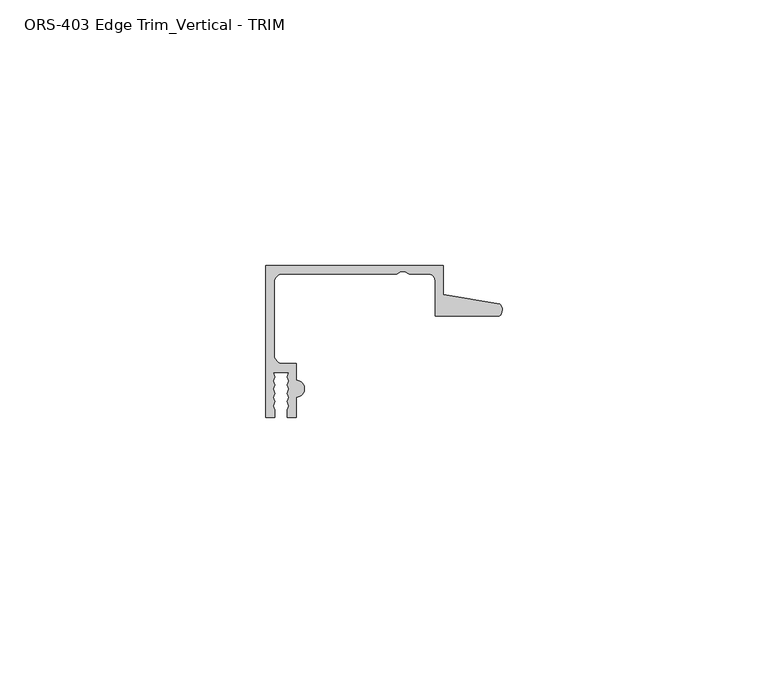
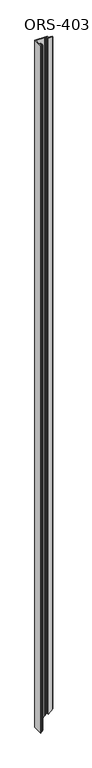
"""IFC4 building model written with IfcOpenShell, lengths in millimetres: proxy geometry, ORS-403 Edge Trim_Vertical - TRIM."""

from ifc_helpers import new_model, si_unit, frame, origin, place, context, project, spatial, polyline, circle_curve, ellipse_curve, source, transform, mapped, element, save
from ifc_brep_helpers import plane_surface, cylinder_surface, revolved_surface, advanced_brep


def ors_403_edge_trim_vertical_trim_4634a1a9(model_context):
    return source(origin(), model_context, "Body", "AdvancedBrep", [
        advanced_brep(
        [(0.0, 19.6849659, 2004.3179687), (0.0, -8.8900341, 2004.3179687), (1.6395301, -8.8900341, 2004.3179687), (1.6395301, -7.4768015, 2004.3179687), (1.3857004, -6.695594, 2004.3179687), (1.6395301, -5.9143865, 2004.3179687), (1.3857004, -5.133179, 2004.3179687), (1.6395301, -4.3519716, 2004.3179687), (1.3857004, -3.5707641, 2004.3179687), (1.6395301, -2.7895566, 2004.3179687), (1.3857004, -2.0083491, 2004.3179687), (1.6395301, -1.2271416, 2004.3179687), (1.3857004, -0.4459342, 2004.3179687), (4.3039002, -0.4459342, 2004.3179687), (4.0500705, -1.2271416, 2004.3179687), (4.3039002, -2.0083491, 2004.3179687), (4.0500705, -2.7895566, 2004.3179687), (4.3039002, -3.5707641, 2004.3179687), (4.0500705, -4.3519716, 2004.3179687), (4.3039002, -5.133179, 2004.3179687), (4.0500705, -5.9143865, 2004.3179687), (4.3039002, -6.695594, 2004.3179687), (4.0500705, -7.4768015, 2004.3179687), (4.0500705, -8.8900341, 2004.3179687), (5.6896, -8.8900341, 2004.3179687), (5.6896, -5.0673341, 2004.3179687), (5.6896, -1.9177341, 2004.3179687), (5.6896, 1.2699659, 2004.3179687), (3.1623, 1.2699659, 2004.3179687), (1.5748, 2.8574659, 2004.3179687), (1.5748, 16.5226659, 2004.3179687), (3.1623, 18.1101659, 2004.3179687), (24.5876618, 18.1101659, 2004.3179687), (25.3762055, 18.5286393, 2004.3179687), (26.1600648, 18.5286393, 2004.3179687), (26.9486086, 18.1101659, 2004.3179687), (30.5703698, 18.1101659, 2004.3179687), (31.8403698, 16.8401659, 2004.3179687), (31.8403698, 10.1599659, 2004.3179687), (43.9251729, 10.1599659, 2004.3179687), (43.9912567, 12.4813352, 2004.3179687), (33.4151698, 14.292309, 2004.3179687), (33.4151698, 19.6849659, 2004.3179687), (0.0, 19.6849659, 0.0), (0.0, -8.8900341, 0.0), (1.6395301, -8.8900341, 1.6395301), (1.6395301, -7.4768015, 1.6395301), (1.3857004, -6.695594, 1.3857004), (1.6395301, -5.9143865, 1.6395301), (1.3857004, -5.133179, 1.3857004), (1.6395301, -4.3519716, 1.6395301), (1.3857004, -3.5707641, 1.3857004), (1.6395301, -2.7895566, 1.6395301), (1.3857004, -2.0083491, 1.3857004), (1.6395301, -1.2271416, 1.6395301), (1.3857004, -0.4459342, 1.3857004), (4.3039002, -0.4459342, 4.3039002), (4.0500705, -1.2271416, 4.0500705), (4.3039002, -2.0083491, 4.3039002), (4.0500705, -2.7895566, 4.0500705), (4.3039002, -3.5707641, 4.3039002), (4.0500705, -4.3519716, 4.0500705), (4.3039002, -5.133179, 4.3039002), (4.0500705, -5.9143865, 4.0500705), (4.3039002, -6.695594, 4.3039002), (4.0500705, -7.4768015, 4.0500705), (4.0500705, -8.8900341, 4.0500705), (5.6896, -8.8900341, 5.6896), (5.6896, -5.0673341, 5.6896), (5.6896, -1.9177341, 5.6896), (5.6896, 1.2699659, 5.6896), (3.1623, 1.2699659, 3.1623), (1.5748, 2.8574659, 1.5748), (1.5748, 16.5226659, 1.5748), (3.1623, 18.1101659, 3.1623), (24.5876618, 18.1101659, 24.5876618), (25.3762055, 18.5286393, 25.3762055), (26.1600648, 18.5286393, 26.1600648), (26.9486086, 18.1101659, 26.9486086), (30.5703698, 18.1101659, 30.5703698), (31.8403698, 16.8401659, 31.8403698), (31.8403698, 10.1599659, 31.8403698), (43.9251729, 10.1599659, 43.9251729), (43.9912567, 12.4813352, 43.9912567), (33.4151698, 14.292309, 33.4151698), (33.4151698, 19.6849659, 33.4151698)],
        [
            (0, 1),
            (1, 2),
            (2, 3),
            (3, 4),
            (4, 5),
            (5, 6),
            (6, 7),
            (7, 8),
            (8, 9),
            (9, 10),
            (10, 11),
            (11, 12),
            (12, 13),
            (13, 14),
            (14, 15),
            (15, 16),
            (16, 17),
            (17, 18),
            (18, 19),
            (19, 20),
            (20, 21),
            (21, 22),
            (22, 23),
            (23, 24),
            (24, 25),
            (25, 26, circle_curve(frame((5.6896, -3.4925341, 2004.3179687), z_axis=(0.0, 0.0, 1.0), x_axis=(1.0, 0.0, 0.0)), 1.5748)),
            (26, 27),
            (27, 28),
            (28, 29, circle_curve(frame((3.1623, 2.8574659, 2004.3179687), z_axis=(0.0, 0.0, -1.0), x_axis=(1.0, 0.0, 0.0)), 1.5875)),
            (29, 30),
            (30, 31, circle_curve(frame((3.1623, 16.5226659, 2004.3179687), z_axis=(0.0, 0.0, -1.0), x_axis=(1.0, 0.0, 0.0)), 1.5875)),
            (31, 32),
            (32, 33),
            (33, 34),
            (34, 35),
            (35, 36),
            (36, 37, circle_curve(frame((30.5703698, 16.8401659, 2004.3179687), z_axis=(0.0, 0.0, -1.0), x_axis=(1.0, 0.0, 0.0)), 1.27)),
            (37, 38),
            (38, 39),
            (39, 40, circle_curve(frame((42.8344152, 11.3526424, 2004.3179687), z_axis=(0.0, 0.0, 1.0), x_axis=(1.0, 0.0, 0.0)), 1.6162393)),
            (40, 41),
            (41, 42),
            (42, 0),
            (0, 43),
            (43, 44),
            (44, 1),
            (44, 45),
            (45, 2),
            (45, 46),
            (46, 3),
            (46, 47),
            (47, 4),
            (47, 48),
            (48, 5),
            (48, 49),
            (49, 6),
            (49, 50),
            (50, 7),
            (50, 51),
            (51, 8),
            (51, 52),
            (52, 9),
            (52, 53),
            (53, 10),
            (53, 54),
            (54, 11),
            (54, 55),
            (55, 12),
            (55, 56),
            (56, 13),
            (56, 57),
            (57, 14),
            (57, 58),
            (58, 15),
            (58, 59),
            (59, 16),
            (59, 60),
            (60, 17),
            (60, 61),
            (61, 18),
            (61, 62),
            (62, 19),
            (62, 63),
            (63, 20),
            (63, 64),
            (64, 21),
            (64, 65),
            (65, 22),
            (65, 66),
            (66, 23),
            (66, 67),
            (67, 24),
            (67, 68),
            (68, 25),
            (68, 69, ellipse_curve(frame((5.6896, -3.4925341, 5.6896), z_axis=(-0.7071067811865469, 0.0, 0.7071067811865481), x_axis=(0.7071067811865481, 0.0, 0.7071067811865469)), 2.2271035, 1.5748)),
            (69, 26),
            (69, 70),
            (70, 27),
            (70, 71),
            (71, 28),
            (71, 72, ellipse_curve(frame((3.1623, 2.8574659, 3.1623), z_axis=(0.7071067811865469, 0.0, -0.7071067811865481), x_axis=(-0.7071067811865481, 0.0, -0.7071067811865469)), 2.245064, 1.5875)),
            (72, 29),
            (72, 73),
            (73, 30),
            (73, 74, ellipse_curve(frame((3.1623, 16.5226659, 3.1623), z_axis=(0.7071067811865469, 0.0, -0.7071067811865481), x_axis=(-0.7071067811865481, 0.0, -0.7071067811865469)), 2.245064, 1.5875)),
            (74, 31),
            (74, 75),
            (75, 32),
            (75, 76),
            (76, 33),
            (76, 77),
            (77, 34),
            (77, 78),
            (78, 35),
            (78, 79),
            (79, 36),
            (79, 80, ellipse_curve(frame((30.5703698, 16.8401659, 30.5703698), z_axis=(0.7071067811865469, 0.0, -0.7071067811865481), x_axis=(-0.7071067811865481, 0.0, -0.7071067811865469)), 1.7960512, 1.27)),
            (80, 37),
            (80, 81),
            (81, 38),
            (81, 82),
            (82, 39),
            (82, 83, ellipse_curve(frame((42.8344152, 11.3526424, 42.8344152), z_axis=(-0.7071067811865469, 0.0, 0.7071067811865481), x_axis=(0.7071067811865481, 0.0, 0.7071067811865469)), 2.2857076, 1.6162393)),
            (83, 40),
            (83, 84),
            (84, 41),
            (84, 85),
            (85, 42),
            (85, 43),
        ],
        [
            plane_surface(frame((0.0, -8.8900341, 2004.3179687), z_axis=(0.0, 0.0, 1.0), x_axis=(0.0, -1.0, 0.0))),
            plane_surface(frame((0.0, 19.6849659, 2004.3179687), z_axis=(-1.0, 0.0, 0.0), x_axis=(0.0, 0.0, -1.0))),
            plane_surface(frame((0.0, -8.8900341, 2004.3179687), z_axis=(0.0, -1.0, 0.0), x_axis=(0.0, 0.0, -1.0))),
            plane_surface(frame((1.6395301, -8.8900341, 2004.3179687), z_axis=(1.0, 0.0, 0.0), x_axis=(0.0, 0.0, -1.0))),
            plane_surface(frame((1.6395301, -7.4768015, 2004.3179687), z_axis=(0.9510565162951495, 0.30901699437496005, 0.0), x_axis=(0.0, 0.0, -1.0))),
            plane_surface(frame((1.3857004, -6.695594, 2004.3179687), z_axis=(0.9510565162951546, -0.30901699437494434, 0.0), x_axis=(0.0, 0.0, -1.0))),
            plane_surface(frame((1.6395301, -5.9143865, 2004.3179687), z_axis=(0.9510565162951493, 0.3090169943749606, 0.0), x_axis=(0.0, 0.0, -1.0))),
            plane_surface(frame((1.3857004, -5.133179, 2004.3179687), z_axis=(0.9510565162951459, -0.3090169943749711, 0.0), x_axis=(0.0, 0.0, -1.0))),
            plane_surface(frame((1.6395301, -4.3519716, 2004.3179687), z_axis=(0.9510565162951357, 0.3090169943750027, 0.0), x_axis=(0.0, 0.0, -1.0))),
            plane_surface(frame((1.3857004, -3.5707641, 2004.3179687), z_axis=(0.9510565162951548, -0.30901699437494373, 0.0), x_axis=(0.0, 0.0, -1.0))),
            plane_surface(frame((1.6395301, -2.7895566, 2004.3179687), z_axis=(0.951056516295149, 0.3090169943749616, 0.0), x_axis=(0.0, 0.0, -1.0))),
            plane_surface(frame((1.3857004, -2.0083491, 2004.3179687), z_axis=(0.9510565162951568, -0.309016994374938, 0.0), x_axis=(0.0, 0.0, -1.0))),
            plane_surface(frame((1.6395301, -1.2271416, 2004.3179687), z_axis=(0.9510565162951492, 0.3090169943749611, 0.0), x_axis=(0.0, 0.0, -1.0))),
            plane_surface(frame((1.3857004, -0.4459342, 2004.3179687), z_axis=(0.0, -1.0, 0.0), x_axis=(0.0, 0.0, -1.0))),
            plane_surface(frame((4.3039002, -0.4459342, 2004.3179687), z_axis=(-0.9510565162951503, 0.30901699437495767, 0.0), x_axis=(0.0, 0.0, -1.0))),
            plane_surface(frame((4.0500705, -1.2271416, 2004.3179687), z_axis=(-0.9510565162951559, -0.3090169943749404, 0.0), x_axis=(0.0, 0.0, -1.0))),
            plane_surface(frame((4.3039002, -2.0083491, 2004.3179687), z_axis=(-0.9510565162918149, 0.30901699438522306, 0.0), x_axis=(0.0, 0.0, -1.0))),
            plane_surface(frame((4.0500705, -2.7895566, 2004.3179687), z_axis=(-0.9510565162917888, -0.3090169943853031, 0.0), x_axis=(0.0, 0.0, -1.0))),
            plane_surface(frame((4.3039002, -3.5707641, 2004.3179687), z_axis=(-0.9510565162951367, 0.3090169943749994, 0.0), x_axis=(0.0, 0.0, -1.0))),
            plane_surface(frame((4.0500705, -4.3519716, 2004.3179687), z_axis=(-0.951056516295145, -0.30901699437497376, 0.0), x_axis=(0.0, 0.0, -1.0))),
            plane_surface(frame((4.3039002, -5.133179, 2004.3179687), z_axis=(-0.9510565162951503, 0.30901699437495755, 0.0), x_axis=(0.0, 0.0, -1.0))),
            plane_surface(frame((4.0500705, -5.9143865, 2004.3179687), z_axis=(-0.9510565162951536, -0.3090169943749477, 0.0), x_axis=(0.0, 0.0, -1.0))),
            plane_surface(frame((4.3039002, -6.695594, 2004.3179687), z_axis=(-0.9510565162951506, 0.3090169943749566, 0.0), x_axis=(0.0, 0.0, -1.0))),
            plane_surface(frame((4.0500705, -7.4768015, 2004.3179687), z_axis=(-1.0, 0.0, 0.0), x_axis=(0.0, 0.0, -1.0))),
            plane_surface(frame((4.0500705, -8.8900341, 2004.3179687), z_axis=(0.0, -1.0, 0.0), x_axis=(0.0, 0.0, -1.0))),
            plane_surface(frame((5.6896, -8.8900341, 2004.3179687), z_axis=(1.0, 0.0, 0.0), x_axis=(0.0, 0.0, -1.0))),
            cylinder_surface(frame((5.6896, -3.4925341, 0.0), z_axis=(0.0, 0.0, 1.0), x_axis=(1.0, 0.0, 0.0)), 1.5748),
            plane_surface(frame((5.6896, -1.9177341, 2004.3179687), z_axis=(1.0, 0.0, 0.0), x_axis=(0.0, 0.0, -1.0))),
            plane_surface(frame((5.6896, 1.2699659, 2004.3179687), z_axis=(0.0, 1.0, 0.0), x_axis=(0.0, 0.0, -1.0))),
            revolved_surface(polyline([(4.7498000000000005, 2.8574659, 1.5748), (4.7498000000000005, 2.8574659, 2004.3179687)]), (3.1623, 2.8574659, 0.0), (0.0, 0.0, -1.0)),
            plane_surface(frame((1.5748, 2.8574659, 2004.3179687), z_axis=(1.0, 0.0, 0.0), x_axis=(0.0, 0.0, -1.0))),
            revolved_surface(polyline([(4.7498000000000005, 16.5226659, 1.5748), (4.7498000000000005, 16.5226659, 2004.3179687)]), (3.1623, 16.5226659, 0.0), (0.0, 0.0, -1.0)),
            plane_surface(frame((3.1623, 18.1101659, 2004.3179687), z_axis=(0.0, -1.0, 0.0), x_axis=(0.0, 0.0, -1.0))),
            plane_surface(frame((24.5876618, 18.1101659, 2004.3179687), z_axis=(0.46877036221295537, -0.8833200708184631, 0.0), x_axis=(0.0, 0.0, -1.0))),
            plane_surface(frame((25.3762055, 18.5286393, 2004.3179687), z_axis=(0.0, -1.0, 0.0), x_axis=(0.0, 0.0, -1.0))),
            plane_surface(frame((26.1600648, 18.5286393, 2004.3179687), z_axis=(-0.46877036221480195, -0.8833200708174832, 0.0), x_axis=(0.0, 0.0, -1.0))),
            plane_surface(frame((26.9486086, 18.1101659, 2004.3179687), z_axis=(1.593635278475226e-12, -1.0, 0.0), x_axis=(0.0, 0.0, -1.0))),
            revolved_surface(polyline([(31.8403698, 16.8401659, 29.300369817121766), (31.8403698, 16.8401659, 2004.3179687)]), (30.5703698, 16.8401659, 0.0), (0.0, 0.0, -1.0)),
            plane_surface(frame((31.8403698, 16.8401659, 2004.3179687), z_axis=(-1.0, 1.298707655988294e-12, 0.0), x_axis=(0.0, 0.0, -1.0))),
            plane_surface(frame((31.8403698, 10.1599659, 2004.3179687), z_axis=(0.0, -1.0, 0.0), x_axis=(0.0, 0.0, -1.0))),
            cylinder_surface(frame((42.8344152, 11.3526424, 0.0), z_axis=(0.0, 0.0, 1.0), x_axis=(1.0, 0.0, 0.0)), 1.6162393),
            plane_surface(frame((43.9912567, 12.4813352, 2004.3179687), z_axis=(0.1687764314060245, 0.9856543593987943, 0.0), x_axis=(0.0, 0.0, -1.0))),
            plane_surface(frame((33.4151698, 14.292309, 2004.3179687), z_axis=(1.0, 0.0, 0.0), x_axis=(0.0, 0.0, -1.0))),
            plane_surface(frame((33.4151698, 19.6849659, 2004.3179687), z_axis=(0.0, 1.0, 0.0), x_axis=(0.0, 0.0, -1.0))),
            plane_surface(frame((45.3831812, -8.8900341, 45.3831812), z_axis=(0.7071067811865469, 0.0, -0.7071067811865481), x_axis=(0.0, 1.0, 0.0))),
        ],
        [
            (0, [[1, 2, 3, 4, 5, 6, 7, 8, 9, 10, 11, 12, 13, 14, 15, 16, 17, 18, 19, 20, 21, 22, 23, 24, 25, 26, 27, 28, 29, 30, 31, 32, 33, 34, 35, 36, 37, 38, 39, 40, 41, 42, 43]]),
            (1, [[-1, 44, 45, 46]]),
            (2, [[-2, -46, 47, 48]]),
            (3, [[-3, -48, 49, 50]]),
            (4, [[-4, -50, 51, 52]]),
            (5, [[-5, -52, 53, 54]]),
            (6, [[-6, -54, 55, 56]]),
            (7, [[-7, -56, 57, 58]]),
            (8, [[-8, -58, 59, 60]]),
            (9, [[-9, -60, 61, 62]]),
            (10, [[-10, -62, 63, 64]]),
            (11, [[-11, -64, 65, 66]]),
            (12, [[-12, -66, 67, 68]]),
            (13, [[-13, -68, 69, 70]]),
            (14, [[-14, -70, 71, 72]]),
            (15, [[-15, -72, 73, 74]]),
            (16, [[-16, -74, 75, 76]]),
            (17, [[-17, -76, 77, 78]]),
            (18, [[-18, -78, 79, 80]]),
            (19, [[-19, -80, 81, 82]]),
            (20, [[-20, -82, 83, 84]]),
            (21, [[-21, -84, 85, 86]]),
            (22, [[-22, -86, 87, 88]]),
            (23, [[-23, -88, 89, 90]]),
            (24, [[-24, -90, 91, 92]]),
            (25, [[-25, -92, 93, 94]]),
            (26, [[-26, -94, 95, 96]]),
            (27, [[-27, -96, 97, 98]]),
            (28, [[-28, -98, 99, 100]]),
            (29, [[-29, -100, 101, 102]]),
            (30, [[-30, -102, 103, 104]]),
            (31, [[-31, -104, 105, 106]]),
            (32, [[-32, -106, 107, 108]]),
            (33, [[-33, -108, 109, 110]]),
            (34, [[-34, -110, 111, 112]]),
            (35, [[-35, -112, 113, 114]]),
            (36, [[-36, -114, 115, 116]]),
            (37, [[-37, -116, 117, 118]]),
            (38, [[-38, -118, 119, 120]]),
            (39, [[-39, -120, 121, 122]]),
            (40, [[-40, -122, 123, 124]]),
            (41, [[-41, -124, 125, 126]]),
            (42, [[-42, -126, 127, 128]]),
            (43, [[-43, -128, 129, -44]]),
            (44, [[-45, -129, -127, -125, -123, -121, -119, -117, -115, -113, -111, -109, -107, -105, -103, -101, -99, -97, -95, -93, -91, -89, -87, -85, -83, -81, -79, -77, -75, -73, -71, -69, -67, -65, -63, -61, -59, -57, -55, -53, -51, -49, -47]]),
        ],
    ),
    ])


if __name__ == "__main__":
    model = new_model("IFC4")
    model_context = context("Model", 3, world=origin())
    ifc_project = project(units=[si_unit("LENGTHUNIT", "METRE", prefix="MILLI")], contexts=[model_context])
    site = spatial("IfcSite", under=ifc_project)
    building = spatial("IfcBuilding", under=site)
    placement = place(None, origin())
    ors_403_edge_trim_vertical_trim_shape = ors_403_edge_trim_vertical_trim_4634a1a9(model_context)
    element("IfcBuildingElementProxy", 1, Name="ORS-403 Edge Trim_Vertical - TRIM", ObjectType="ORS-403 Edge Trim_Vertical - TRIM", at=placement, inside=building, context=model_context, shape_type="MappedRepresentation", body=[
        mapped(ors_403_edge_trim_vertical_trim_shape, transform((0.0, 0.0, 0.0), x_axis=(1.0, 0.0, 0.0), y_axis=(0.0, 1.0, 0.0), z_axis=(0.0, 0.0, 1.0))),
    ])
    save(model, "model.ifc")
